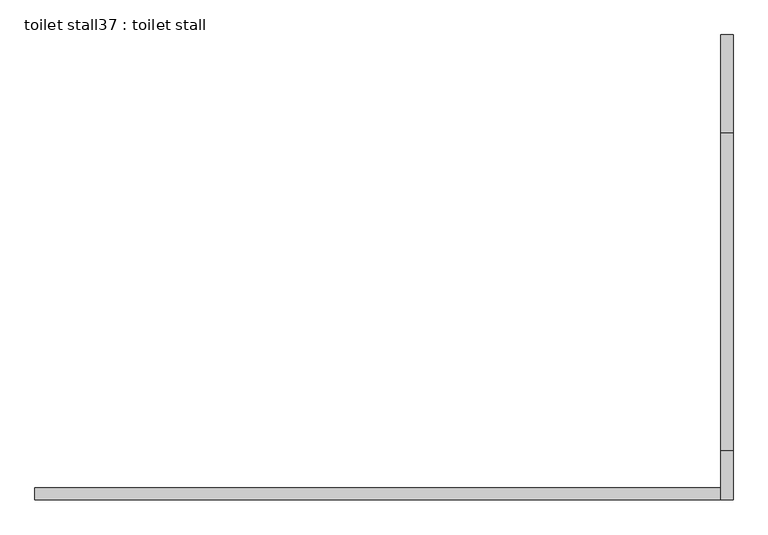
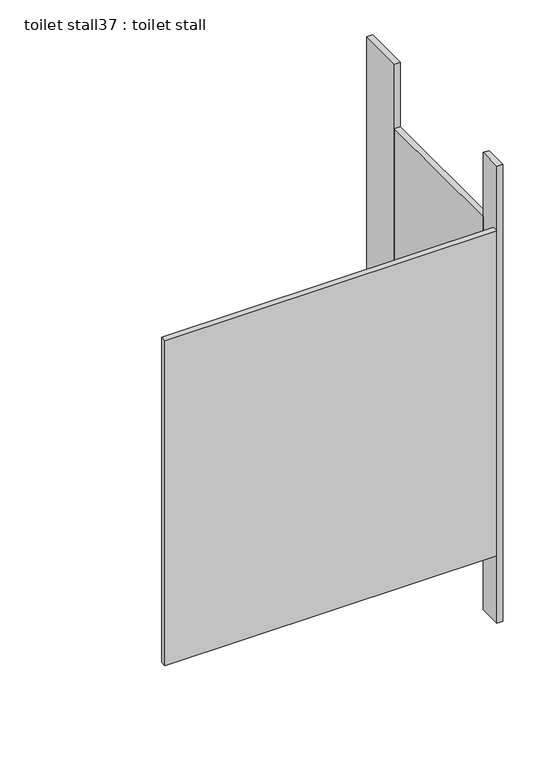
"""IFC4 building model written with IfcOpenShell, lengths in millimetres: proxy geometry, toilet stall37 : toilet stall."""

from ifc_helpers import new_model, si_unit, frame, origin, origin_with_axes, place, context, project, spatial, polyline, outline, extrude, source, transform, mapped, element, save


def toilet_stall37_toilet_stall_ffd7fe66(model_context):
    return source(origin(), model_context, "Body", "SweptSolid", [
        extrude(outline(polyline([(458207.8504676, -335701.4955223), (458207.8504676, -335498.2955223), (458233.2504676, -335498.2955223), (458233.2504676, -335701.4955223), (458207.8504676, -335701.4955223)])), origin_with_axes(), (0.0, 0.0, 1.0), 2070.1),
        extrude(outline(polyline([(458207.8504676, -336463.4955223), (458207.8504676, -336361.8955223), (458233.2504676, -336361.8955223), (458233.2504676, -336463.4955223), (458207.8504676, -336463.4955223)])), origin_with_axes(), (0.0, 0.0, 1.0), 2070.1),
        extrude(outline(polyline([(458207.8504676, -336463.4955223), (456785.4504676, -336463.4955223), (456785.4504676, -336438.0955223), (458207.8504676, -336438.0955223), (458207.8504676, -336463.4955223)])), frame((0.0, 0.0, 304.8), z_axis=(0.0, 0.0, 1.0), x_axis=(1.0, 0.0, 0.0)), (0.0, 0.0, 1.0), 1473.2),
        extrude(outline(polyline([(458207.8504676, -336361.8955223), (458207.8504676, -335701.4955223), (458233.2504676, -335701.4955223), (458233.2504676, -336361.8955223), (458207.8504676, -336361.8955223)])), frame((0.0, 0.0, 304.8), z_axis=(0.0, 0.0, 1.0), x_axis=(1.0, 0.0, 0.0)), (0.0, 0.0, 1.0), 1473.2),
    ])


if __name__ == "__main__":
    model = new_model("IFC4")
    model_context = context("Model", 3, world=origin())
    ifc_project = project(units=[si_unit("LENGTHUNIT", "METRE", prefix="MILLI")], contexts=[model_context])
    site = spatial("IfcSite", under=ifc_project)
    building = spatial("IfcBuilding", under=site)
    placement = place(None, origin())
    toilet_stall37_toilet_stall_shape = toilet_stall37_toilet_stall_ffd7fe66(model_context)
    element("IfcBuildingElementProxy", 1, Name="toilet stall37 : toilet stall", ObjectType="toilet stall37 : toilet stall", at=placement, inside=building, context=model_context, shape_type="MappedRepresentation", body=[
        mapped(toilet_stall37_toilet_stall_shape, transform((0.0, 0.0, 0.0), x_axis=(1.0, 0.0, 0.0), y_axis=(0.0, 1.0, 0.0), z_axis=(0.0, 0.0, 1.0))),
    ])
    save(model, "model.ifc")
